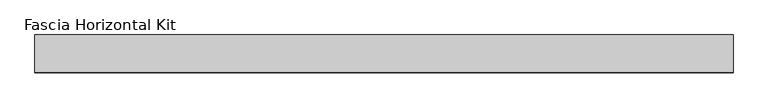
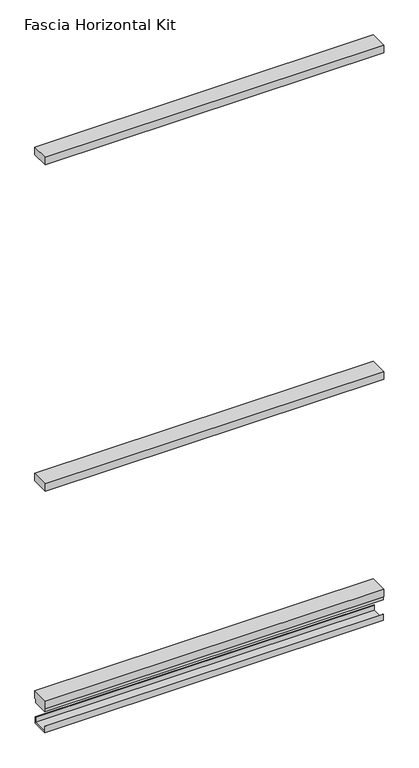
"""IFC4 building model written with IfcOpenShell, lengths in millimetres: proxy geometry, Fascia Horizontal Kit."""

from ifc_helpers import new_model, si_unit, frame, origin, place, context, project, spatial, polyline, outline, extrude, source, transform, mapped, element, save


def fascia_horizontal_kit_16c14173(model_context):
    return source(origin(), model_context, "Body", "SweptSolid", [
        extrude(outline(polyline([(-699.0660104, 34.0688663), (-699.0660104, 98.4324663), (498.3812882, 98.4324663), (498.3812882, 34.0688663), (-699.0660104, 34.0688663)])), frame((0.0, 0.0, 903.829), z_axis=(0.0, 0.0, 1.0), x_axis=(1.0, 0.0, 0.0)), (0.0, 0.0, 1.0), 28.0),
        extrude(outline(polyline([(-699.0660104, 34.0688663), (-699.0660104, 98.4324663), (498.3812882, 98.4324663), (498.3812882, 34.0688663), (-699.0660104, 34.0688663)])), frame((0.0, 0.0, 2124.295979), z_axis=(0.0, 0.0, 1.0), x_axis=(1.0, 0.0, 0.0)), (0.0, 0.0, 1.0), 28.0),
        extrude(outline(polyline([(94.0992263, 4.58724), (94.0992263, 23.2156), (95.2574663, 23.2156), (95.2574663, 0.0), (37.2438663, 0.0), (37.2438663, 23.2156), (38.4021063, 23.2156), (38.4021063, 4.58724), (94.0992263, 4.58724)])), frame((-699.0660104, 0.0, 0.0), z_axis=(1.0, 0.0, 0.0), x_axis=(0.0, 1.0, 0.0)), (0.0, 0.0, 1.0), 1197.4472986),
        extrude(outline(polyline([(98.4324663, 119.029), (98.4324663, 91.029), (93.5466663, 91.029), (93.5466663, 77.0336001), (38.9546663, 77.0336001), (38.9546663, 91.029), (34.0688663, 91.029), (34.0688663, 119.029), (98.4324663, 119.029)])), frame((-699.0660104, 0.0, 0.0), z_axis=(1.0, 0.0, 0.0), x_axis=(0.0, 1.0, 0.0)), (0.0, 0.0, 1.0), 1197.4472986),
    ])


if __name__ == "__main__":
    model = new_model("IFC4")
    model_context = context("Model", 3, world=origin())
    ifc_project = project(units=[si_unit("LENGTHUNIT", "METRE", prefix="MILLI")], contexts=[model_context])
    site = spatial("IfcSite", under=ifc_project)
    building = spatial("IfcBuilding", under=site)
    placement = place(None, origin())
    fascia_horizontal_kit_shape = fascia_horizontal_kit_16c14173(model_context)
    element("IfcBuildingElementProxy", 1, Name="Fascia Horizontal Kit", ObjectType="Fascia Horizontal Kit", at=placement, inside=building, context=model_context, shape_type="MappedRepresentation", body=[
        mapped(fascia_horizontal_kit_shape, transform((0.0, 0.0, 0.0), x_axis=(1.0, 0.0, 0.0), y_axis=(0.0, 1.0, 0.0), z_axis=(0.0, 0.0, 1.0))),
    ])
    save(model, "model.ifc")
